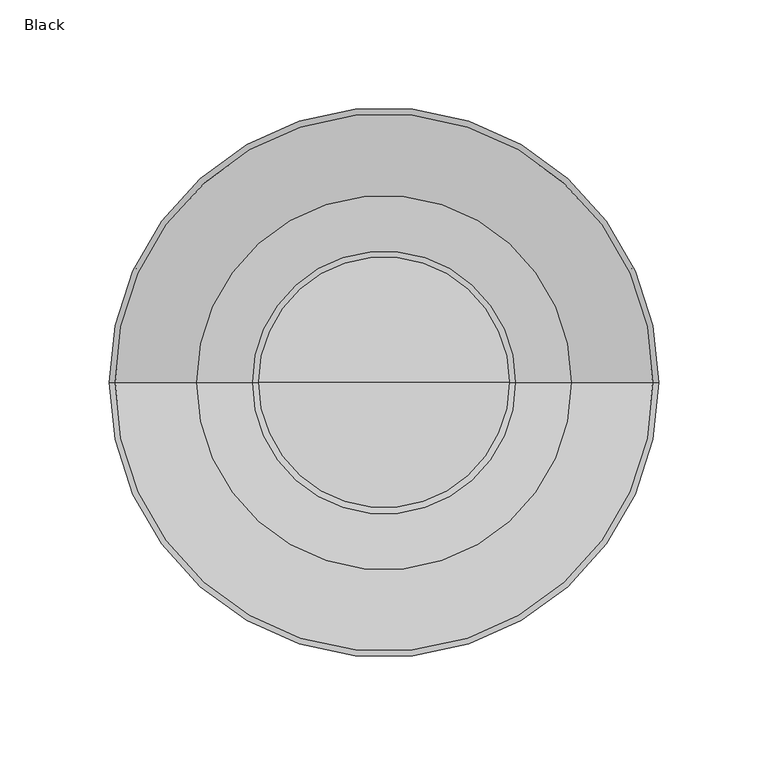
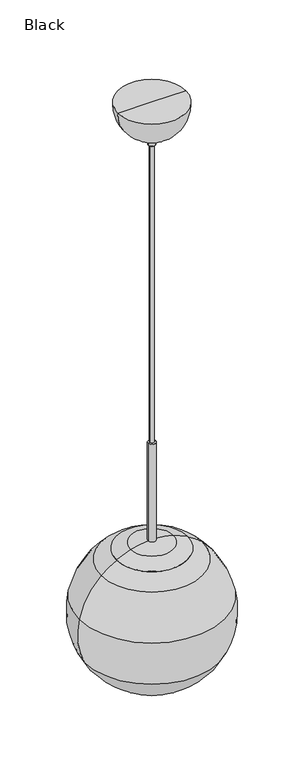
"""IFC4 building model written with IfcOpenShell, lengths in millimetres: furniture geometry, Black."""

from ifc_helpers import new_model, si_unit, point, frame, origin, place, context, project, spatial, polyline, circle_curve, ellipse_curve, trimmed, source, transform, mapped, element, save
from ifc_brep_helpers import plane_surface, cylinder_surface, revolved_surface, advanced_brep


def black_53b5c89a(model_context):
    return source(origin(), model_context, "Body", "AdvancedBrep", [
        advanced_brep(
        [(6.5, 0.0, 1676.4), (-6.5, 0.0, 1676.4), (0.0, 0.0, 1676.4), (6.5, 0.0, 1501.3458771), (-6.5, 0.0, 1501.3458771), (35.8323867, 0.0, 1496.3359968), (-35.8323867, 0.0, 1496.3359968), (60.25, 0.0, 1485.9713348), (-60.25, 0.0, 1485.9713348), (59.7818527, 0.0, 1485.0876831), (-59.7818527, 0.0, 1485.0876831), (85.7983932, 0.0, 1467.0335754), (-85.7983932, 0.0, 1467.0335754), (123.2234955, 0.0, 1401.8036255), (-123.2234955, 0.0, 1401.8036255), (114.4541931, 0.0, 1321.767691), (-114.4541931, 0.0, 1321.767691), (75.2418823, 0.0, 1274.3469604), (-75.2418823, 0.0, 1274.3469604), (73.4864235, 0.0, 1274.3469604), (-73.4864235, 0.0, 1274.3469604), (113.532471, 0.0, 1322.1951069), (-113.532471, 0.0, 1322.1951069), (122.2310909, 0.0, 1401.5859349), (-122.2310909, 0.0, 1401.5859349), (85.1096055, 0.0, 1466.2866969), (-85.1096055, 0.0, 1466.2866969), (57.4904534, 0.0, 1485.0876831), (-57.4904534, 0.0, 1485.0876831), (50.9951096, 0.0, 1474.0021271), (-50.9951096, 0.0, 1474.0021271), (-50.9951096, 0.0, 1485.0876831), (50.9951096, 0.0, 1485.0876831), (15.5002022, 0.0, 1474.0021271), (-15.5002022, 0.0, 1474.0021271), (15.5002022, 0.0, 1421.0999512), (-15.5002022, 0.0, 1421.0999512), (14.4842022, 0.0, 1421.0999512), (-14.4842022, 0.0, 1421.0999512), (14.4842022, 0.0, 1474.0021271), (-14.4842022, 0.0, 1474.0021271), (0.0, 0.0, 1474.0021271)],
        [
            (0, 1, circle_curve(frame((0.0, 0.0, 1676.4), z_axis=(0.0, 0.0, 1.0), x_axis=(-1.0, 0.0, 0.0)), 6.5)),
            (1, 2),
            (2, 0),
            (1, 0, circle_curve(frame((0.0, 0.0, 1676.4), z_axis=(0.0, 0.0, 1.0), x_axis=(-1.0, 0.0, 0.0)), 6.5)),
            (3, 4, circle_curve(frame((0.0, 0.0, 1501.3458771), z_axis=(0.0, 0.0, 1.0), x_axis=(-1.0, 0.0, 0.0)), 6.5)),
            (4, 1),
            (0, 3),
            (4, 3, circle_curve(frame((0.0, 0.0, 1501.3458771), z_axis=(0.0, 0.0, 1.0), x_axis=(-1.0, 0.0, 0.0)), 6.5)),
            (5, 6, circle_curve(frame((0.0, 0.0, 1496.3359968), z_axis=(0.0, 0.0, 1.0), x_axis=(-1.0, 0.0, 0.0)), 35.8323867)),
            (6, 4, circle_curve(frame((-3.5340236, 0.0, 1395.6062108), z_axis=(0.0, 1.0, 0.0), x_axis=(1.0, 0.0, 0.0)), 105.7812556)),
            (3, 5, circle_curve(frame((3.5340236, 0.0, 1395.6062108), z_axis=(0.0, 1.0, 0.0), x_axis=(-1.0, 0.0, 0.0)), 105.7812556)),
            (6, 5, circle_curve(frame((0.0, 0.0, 1496.3359968), z_axis=(0.0, 0.0, 1.0), x_axis=(-1.0, 0.0, 0.0)), 35.8323867)),
            (7, 8, circle_curve(frame((0.0, 0.0, 1485.9713348), z_axis=(0.0, 0.0, 1.0), x_axis=(-1.0, 0.0, 0.0)), 60.25)),
            (8, 6, circle_curve(frame((8.6630824, 0.0, 1357.5667636), z_axis=(0.0, 1.0, 0.0), x_axis=(1.0, 0.0, 0.0)), 145.7283323)),
            (5, 7, circle_curve(frame((-8.6630824, 0.0, 1357.5667636), z_axis=(0.0, 1.0, 0.0), x_axis=(-1.0, 0.0, 0.0)), 145.7283323)),
            (8, 7, circle_curve(frame((0.0, 0.0, 1485.9713348), z_axis=(0.0, 0.0, 1.0), x_axis=(-1.0, 0.0, 0.0)), 60.25)),
            (9, 10, circle_curve(frame((0.0, 0.0, 1485.0876831), z_axis=(0.0, 0.0, 1.0), x_axis=(-1.0, 0.0, 0.0)), 59.7818527)),
            (10, 8),
            (7, 9),
            (10, 9, circle_curve(frame((0.0, 0.0, 1485.0876831), z_axis=(0.0, 0.0, 1.0), x_axis=(-1.0, 0.0, 0.0)), 59.7818527)),
            (11, 12, circle_curve(frame((0.0, 0.0, 1467.0335754), z_axis=(0.0, 0.0, 1.0), x_axis=(-1.0, 0.0, 0.0)), 85.7983932)),
            (12, 10, circle_curve(frame((-7.9378451, 0.0, 1382.6064443), z_axis=(0.0, 1.0, 0.0), x_axis=(1.0, 0.0, 0.0)), 114.8486196)),
            (9, 11, circle_curve(frame((7.9378451, 0.0, 1382.6064443), z_axis=(0.0, 1.0, 0.0), x_axis=(-1.0, 0.0, 0.0)), 114.8486196)),
            (12, 11, circle_curve(frame((0.0, 0.0, 1467.0335754), z_axis=(0.0, 0.0, 1.0), x_axis=(-1.0, 0.0, 0.0)), 85.7983932)),
            (13, 14, circle_curve(frame((0.0, 0.0, 1401.8036255), z_axis=(0.0, 0.0, 1.0), x_axis=(-1.0, 0.0, 0.0)), 123.2234955)),
            (14, 12, circle_curve(frame((-0.8954985, 0.0, 1374.9701622), z_axis=(0.0, 1.0, 0.0), x_axis=(1.0, 0.0, 0.0)), 125.2364707)),
            (11, 13, circle_curve(frame((0.8954985, 0.0, 1374.9701622), z_axis=(0.0, 1.0, 0.0), x_axis=(-1.0, 0.0, 0.0)), 125.2364707)),
            (14, 13, circle_curve(frame((0.0, 0.0, 1401.8036255), z_axis=(0.0, 0.0, 1.0), x_axis=(-1.0, 0.0, 0.0)), 123.2234955)),
            (15, 16, circle_curve(frame((0.0, 0.0, 1321.767691), z_axis=(0.0, 0.0, 1.0), x_axis=(-1.0, 0.0, 0.0)), 114.4541931)),
            (16, 14, circle_curve(frame((-0.0995761, 0.0, 1374.7955713), z_axis=(0.0, 1.0, 0.0), x_axis=(1.0, 0.0, 0.0)), 126.051317)),
            (13, 15, circle_curve(frame((0.0995761, 0.0, 1374.7955713), z_axis=(0.0, 1.0, 0.0), x_axis=(-1.0, 0.0, 0.0)), 126.051317)),
            (16, 15, circle_curve(frame((0.0, 0.0, 1321.767691), z_axis=(0.0, 0.0, 1.0), x_axis=(-1.0, 0.0, 0.0)), 114.4541931)),
            (17, 18, circle_curve(frame((0.0, 0.0, 1274.3469604), z_axis=(0.0, 0.0, 1.0), x_axis=(-1.0, 0.0, 0.0)), 75.2418823)),
            (18, 16, circle_curve(frame((-4.5310961, 0.0, 1372.7406117), z_axis=(0.0, 1.0, 0.0), x_axis=(1.0, 0.0, 0.0)), 121.1665214)),
            (15, 17, circle_curve(frame((4.5310961, 0.0, 1372.7406117), z_axis=(0.0, 1.0, 0.0), x_axis=(-1.0, 0.0, 0.0)), 121.1665214)),
            (18, 17, circle_curve(frame((0.0, 0.0, 1274.3469604), z_axis=(0.0, 0.0, 1.0), x_axis=(-1.0, 0.0, 0.0)), 75.2418823)),
            (19, 20, circle_curve(frame((0.0, 0.0, 1274.3469604), z_axis=(0.0, 0.0, 1.0), x_axis=(-1.0, 0.0, 0.0)), 73.4864235)),
            (20, 18),
            (17, 19),
            (20, 19, circle_curve(frame((0.0, 0.0, 1274.3469604), z_axis=(0.0, 0.0, 1.0), x_axis=(-1.0, 0.0, 0.0)), 73.4864235)),
            (21, 22, circle_curve(frame((0.0, 0.0, 1322.1951069), z_axis=(0.0, 0.0, 1.0), x_axis=(-1.0, 0.0, 0.0)), 113.532471)),
            (22, 20, circle_curve(frame((-4.5310961, 0.0, 1372.7406117), z_axis=(0.0, -1.0, 0.0), x_axis=(1.0, 0.0, 0.0)), 120.1505214)),
            (19, 21, circle_curve(frame((4.5310961, 0.0, 1372.7406117), z_axis=(0.0, -1.0, 0.0), x_axis=(-1.0, 0.0, 0.0)), 120.1505214)),
            (22, 21, circle_curve(frame((0.0, 0.0, 1322.1951069), z_axis=(0.0, 0.0, 1.0), x_axis=(-1.0, 0.0, 0.0)), 113.532471)),
            (23, 24, circle_curve(frame((0.0, 0.0, 1401.5859349), z_axis=(0.0, 0.0, 1.0), x_axis=(-1.0, 0.0, 0.0)), 122.2310909)),
            (24, 22, circle_curve(frame((-0.0995761, 0.0, 1374.7955713), z_axis=(0.0, -1.0, 0.0), x_axis=(1.0, 0.0, 0.0)), 125.035317)),
            (21, 23, circle_curve(frame((0.0995761, 0.0, 1374.7955713), z_axis=(0.0, -1.0, 0.0), x_axis=(-1.0, 0.0, 0.0)), 125.035317)),
            (24, 23, circle_curve(frame((0.0, 0.0, 1401.5859349), z_axis=(0.0, 0.0, 1.0), x_axis=(-1.0, 0.0, 0.0)), 122.2310909)),
            (25, 26, circle_curve(frame((0.0, 0.0, 1466.2866969), z_axis=(0.0, 0.0, 1.0), x_axis=(-1.0, 0.0, 0.0)), 85.1096055)),
            (26, 24, circle_curve(frame((-0.8954985, 0.0, 1374.9701622), z_axis=(0.0, -1.0, 0.0), x_axis=(1.0, 0.0, 0.0)), 124.2204707)),
            (23, 25, circle_curve(frame((0.8954985, 0.0, 1374.9701622), z_axis=(0.0, -1.0, 0.0), x_axis=(-1.0, 0.0, 0.0)), 124.2204707)),
            (26, 25, circle_curve(frame((0.0, 0.0, 1466.2866969), z_axis=(0.0, 0.0, 1.0), x_axis=(-1.0, 0.0, 0.0)), 85.1096055)),
            (27, 28, circle_curve(frame((0.0, 0.0, 1485.0876831), z_axis=(0.0, 0.0, 1.0), x_axis=(-1.0, 0.0, 0.0)), 57.4904534)),
            (28, 26, circle_curve(frame((-7.9378451, 0.0, 1382.6064443), z_axis=(0.0, -1.0, 0.0), x_axis=(1.0, 0.0, 0.0)), 113.8326196)),
            (25, 27, circle_curve(frame((7.9378451, 0.0, 1382.6064443), z_axis=(0.0, -1.0, 0.0), x_axis=(-1.0, 0.0, 0.0)), 113.8326196)),
            (28, 27, circle_curve(frame((0.0, 0.0, 1485.0876831), z_axis=(0.0, 0.0, 1.0), x_axis=(-1.0, 0.0, 0.0)), 57.4904534)),
            (29, 30, circle_curve(frame((0.0, 0.0, 1474.0021271), z_axis=(0.0, 0.0, 1.0), x_axis=(-1.0, 0.0, 0.0)), 50.9951096)),
            (30, 31),
            (31, 32, circle_curve(frame((0.0, 0.0, 1485.0876831), z_axis=(0.0, 0.0, -1.0), x_axis=(-1.0, 0.0, 0.0)), 50.9951096)),
            (32, 29),
            (30, 29, circle_curve(frame((0.0, 0.0, 1474.0021271), z_axis=(0.0, 0.0, 1.0), x_axis=(-1.0, 0.0, 0.0)), 50.9951096)),
            (32, 31, circle_curve(frame((0.0, 0.0, 1485.0876831), z_axis=(0.0, 0.0, -1.0), x_axis=(-1.0, 0.0, 0.0)), 50.9951096)),
            (33, 34, circle_curve(frame((0.0, 0.0, 1474.0021271), z_axis=(0.0, 0.0, 1.0), x_axis=(-1.0, 0.0, 0.0)), 15.5002022)),
            (34, 30),
            (29, 33),
            (34, 33, circle_curve(frame((0.0, 0.0, 1474.0021271), z_axis=(0.0, 0.0, 1.0), x_axis=(-1.0, 0.0, 0.0)), 15.5002022)),
            (35, 36, circle_curve(frame((0.0, 0.0, 1421.0999512), z_axis=(0.0, 0.0, 1.0), x_axis=(-1.0, 0.0, 0.0)), 15.5002022)),
            (36, 34),
            (33, 35),
            (36, 35, circle_curve(frame((0.0, 0.0, 1421.0999512), z_axis=(0.0, 0.0, 1.0), x_axis=(-1.0, 0.0, 0.0)), 15.5002022)),
            (37, 38, circle_curve(frame((0.0, 0.0, 1421.0999512), z_axis=(0.0, 0.0, 1.0), x_axis=(-1.0, 0.0, 0.0)), 14.4842022)),
            (38, 36),
            (35, 37),
            (38, 37, circle_curve(frame((0.0, 0.0, 1421.0999512), z_axis=(0.0, 0.0, 1.0), x_axis=(-1.0, 0.0, 0.0)), 14.4842022)),
            (39, 40, circle_curve(frame((0.0, 0.0, 1474.0021271), z_axis=(0.0, 0.0, 1.0), x_axis=(-1.0, 0.0, 0.0)), 14.4842022)),
            (40, 38),
            (37, 39),
            (40, 39, circle_curve(frame((0.0, 0.0, 1474.0021271), z_axis=(0.0, 0.0, 1.0), x_axis=(-1.0, 0.0, 0.0)), 14.4842022)),
            (41, 40),
            (39, 41),
            (31, 28),
            (27, 32),
        ],
        [
            plane_surface(frame((0.0, 0.0, 1676.4), z_axis=(0.0, 0.0, 1.0), x_axis=(-1.0, 0.0, 0.0))),
            cylinder_surface(frame((0.0, 0.0, 1045.5765484), z_axis=(0.0, 0.0, -1.0), x_axis=(-1.0, 0.0, 0.0)), 6.5),
            revolved_surface(trimmed(ellipse_curve(frame((-3.5340236, 0.0, 1395.6062108), z_axis=(0.0, -1.0, 0.0), x_axis=(1.0, 0.0, 0.0)), 105.7812556, 105.7812556), [point((-6.5, 0.0, 1501.3458771))], [point((-35.8323867, 0.0, 1496.3359968))], True, "CARTESIAN"), (0.0, 0.0, 1045.5765484), (0.0, 0.0, -1.0)),
            revolved_surface(trimmed(ellipse_curve(frame((8.6630824, 0.0, 1357.5667636), z_axis=(0.0, -1.0, 0.0), x_axis=(1.0, 0.0, 0.0)), 145.7283323, 145.7283323), [point((-35.8323867, 0.0, 1496.3359968))], [point((-60.25, 0.0, 1485.9713348))], True, "CARTESIAN"), (0.0, 0.0, 1045.5765484), (0.0, 0.0, -1.0)),
            revolved_surface(polyline([(-60.25, 0.0, 1485.9713348), (-59.7818527, 0.0, 1485.0876831)]), (0.0, 0.0, 1045.5765484), (0.0, 0.0, -1.0)),
            revolved_surface(trimmed(ellipse_curve(frame((-7.9378451, 0.0, 1382.6064443), z_axis=(0.0, -1.0, 0.0), x_axis=(1.0, 0.0, 0.0)), 114.8486196, 114.8486196), [point((-59.7818527, 0.0, 1485.0876831))], [point((-85.7983932, 0.0, 1467.0335754))], True, "CARTESIAN"), (0.0, 0.0, 1045.5765484), (0.0, 0.0, -1.0)),
            revolved_surface(trimmed(ellipse_curve(frame((-0.8954985, 0.0, 1374.9701622), z_axis=(0.0, -1.0, 0.0), x_axis=(1.0, 0.0, 0.0)), 125.2364707, 125.2364707), [point((-85.7983932, 0.0, 1467.0335754))], [point((-123.2234955, 0.0, 1401.8036255))], True, "CARTESIAN"), (0.0, 0.0, 1045.5765484), (0.0, 0.0, -1.0)),
            revolved_surface(trimmed(ellipse_curve(frame((-0.0995761, 0.0, 1374.7955713), z_axis=(0.0, -1.0, 0.0), x_axis=(1.0, 0.0, 0.0)), 126.051317, 126.051317), [point((-123.2234955, 0.0, 1401.8036255))], [point((-114.4541931, 0.0, 1321.767691))], True, "CARTESIAN"), (0.0, 0.0, 1045.5765484), (0.0, 0.0, -1.0)),
            revolved_surface(trimmed(ellipse_curve(frame((-4.5310961, 0.0, 1372.7406117), z_axis=(0.0, -1.0, 0.0), x_axis=(1.0, 0.0, 0.0)), 121.1665214, 121.1665214), [point((-114.4541931, 0.0, 1321.767691))], [point((-75.2418823, 0.0, 1274.3469604))], True, "CARTESIAN"), (0.0, 0.0, 1045.5765484), (0.0, 0.0, -1.0)),
            plane_surface(frame((0.0, 0.0, 1274.3469604), z_axis=(0.0, 0.0, -1.0), x_axis=(-1.0, 0.0, 0.0))),
            revolved_surface(trimmed(ellipse_curve(frame((-4.5310961, 0.0, 1372.7406117), z_axis=(0.0, 1.0, 0.0), x_axis=(1.0, 0.0, 0.0)), 120.1505214, 120.1505214), [point((-73.4864235, 0.0, 1274.3469604))], [point((-113.532471, 0.0, 1322.1951069))], True, "CARTESIAN"), (0.0, 0.0, 1045.5765484), (0.0, 0.0, -1.0)),
            revolved_surface(trimmed(ellipse_curve(frame((-0.0995761, 0.0, 1374.7955713), z_axis=(0.0, 1.0, 0.0), x_axis=(1.0, 0.0, 0.0)), 125.035317, 125.035317), [point((-113.532471, 0.0, 1322.1951069))], [point((-122.2310909, 0.0, 1401.5859349))], True, "CARTESIAN"), (0.0, 0.0, 1045.5765484), (0.0, 0.0, -1.0)),
            revolved_surface(trimmed(ellipse_curve(frame((-0.8954985, 0.0, 1374.9701622), z_axis=(0.0, 1.0, 0.0), x_axis=(1.0, 0.0, 0.0)), 124.2204707, 124.2204707), [point((-122.2310909, 0.0, 1401.5859349))], [point((-85.1096055, 0.0, 1466.2866969))], True, "CARTESIAN"), (0.0, 0.0, 1045.5765484), (0.0, 0.0, -1.0)),
            revolved_surface(trimmed(ellipse_curve(frame((-7.9378451, 0.0, 1382.6064443), z_axis=(0.0, 1.0, 0.0), x_axis=(1.0, 0.0, 0.0)), 113.8326196, 113.8326196), [point((-85.1096055, 0.0, 1466.2866969))], [point((-57.4904534, 0.0, 1485.0876831))], True, "CARTESIAN"), (0.0, 0.0, 1045.5765484), (0.0, 0.0, -1.0)),
            cylinder_surface(frame((0.0, 0.0, 1045.5765484), z_axis=(0.0, 0.0, -1.0), x_axis=(-1.0, 0.0, 0.0)), 50.9951096),
            plane_surface(frame((0.0, 0.0, 1474.0021271), z_axis=(0.0, 0.0, -1.0), x_axis=(-1.0, 0.0, 0.0))),
            cylinder_surface(frame((0.0, 0.0, 1045.5765484), z_axis=(0.0, 0.0, -1.0), x_axis=(-1.0, 0.0, 0.0)), 15.5002022),
            plane_surface(frame((0.0, 0.0, 1421.0999512), z_axis=(0.0, 0.0, -1.0), x_axis=(-1.0, 0.0, 0.0))),
            revolved_surface(polyline([(-14.4842022, 0.0, 1421.0999512), (-14.4842022, 0.0, 1474.0021271)]), (0.0, 0.0, 1045.5765484), (0.0, 0.0, -1.0)),
            plane_surface(frame((0.0, 0.0, 1485.0876831), z_axis=(0.0, 0.0, -1.0), x_axis=(-1.0, 0.0, 0.0))),
        ],
        [
            (0, [[1, 2, 3]]),
            (0, [[4, -3, -2]]),
            (1, [[5, 6, -1, 7]]),
            (1, [[8, -7, -4, -6]]),
            (2, [[9, 10, -5, 11]]),
            (2, [[12, -11, -8, -10]]),
            (3, [[13, 14, -9, 15]]),
            (3, [[16, -15, -12, -14]]),
            (4, [[17, 18, -13, 19]]),
            (4, [[20, -19, -16, -18]]),
            (5, [[21, 22, -17, 23]]),
            (5, [[24, -23, -20, -22]]),
            (6, [[25, 26, -21, 27]]),
            (6, [[28, -27, -24, -26]]),
            (7, [[29, 30, -25, 31]]),
            (7, [[32, -31, -28, -30]]),
            (8, [[33, 34, -29, 35]]),
            (8, [[36, -35, -32, -34]]),
            (9, [[37, 38, -33, 39]]),
            (9, [[40, -39, -36, -38]]),
            (10, [[41, 42, -37, 43]]),
            (10, [[44, -43, -40, -42]]),
            (11, [[45, 46, -41, 47]]),
            (11, [[48, -47, -44, -46]]),
            (12, [[49, 50, -45, 51]]),
            (12, [[52, -51, -48, -50]]),
            (13, [[53, 54, -49, 55]]),
            (13, [[56, -55, -52, -54]]),
            (14, [[57, 58, 59, 60]]),
            (14, [[61, -60, 62, -58]]),
            (15, [[63, 64, -57, 65]]),
            (15, [[66, -65, -61, -64]]),
            (16, [[67, 68, -63, 69]]),
            (16, [[70, -69, -66, -68]]),
            (17, [[71, 72, -67, 73]]),
            (17, [[74, -73, -70, -72]]),
            (18, [[75, 76, -71, 77]]),
            (18, [[78, -77, -74, -76]]),
            (15, [[79, -75, 80]]),
            (15, [[-80, -78, -79]]),
            (19, [[-59, 81, -53, 82]]),
            (19, [[-62, -82, -56, -81]]),
        ],
    ),
        advanced_brep(
        [(3.556, 0.0, 2209.8), (-3.556, 0.0, 2209.8), (0.0, 0.0, 2209.8), (3.556, 0.0, 1676.4), (-3.556, 0.0, 1676.4), (0.0, 0.0, 1676.4)],
        [
            (0, 1, circle_curve(frame((0.0, 0.0, 2209.8), z_axis=(0.0, 0.0, 1.0), x_axis=(-1.0, 0.0, 0.0)), 3.556)),
            (1, 2),
            (2, 0),
            (1, 0, circle_curve(frame((0.0, 0.0, 2209.8), z_axis=(0.0, 0.0, 1.0), x_axis=(-1.0, 0.0, 0.0)), 3.556)),
            (3, 4, circle_curve(frame((0.0, 0.0, 1676.4), z_axis=(0.0, 0.0, 1.0), x_axis=(-1.0, 0.0, 0.0)), 3.556)),
            (4, 1),
            (0, 3),
            (4, 3, circle_curve(frame((0.0, 0.0, 1676.4), z_axis=(0.0, 0.0, 1.0), x_axis=(-1.0, 0.0, 0.0)), 3.556)),
            (5, 4),
            (3, 5),
        ],
        [
            plane_surface(frame((0.0, 0.0, 2209.8), z_axis=(0.0, 0.0, 1.0), x_axis=(-1.0, 0.0, 0.0))),
            cylinder_surface(frame((0.0, 0.0, 2421.4288111), z_axis=(0.0, 0.0, -1.0), x_axis=(-1.0, 0.0, 0.0)), 3.556),
            plane_surface(frame((0.0, 0.0, 1676.4), z_axis=(0.0, 0.0, -1.0), x_axis=(-1.0, 0.0, 0.0))),
        ],
        [
            (0, [[1, 2, 3]]),
            (0, [[4, -3, -2]]),
            (1, [[5, 6, -1, 7]]),
            (1, [[8, -7, -4, -6]]),
            (2, [[9, -5, 10]]),
            (2, [[-10, -8, -9]]),
        ],
    ),
        advanced_brep(
        [(57.4224398, 0.0, 2286.0), (-57.4224398, 0.0, 2286.0), (0.0, 0.0, 2286.0), (11.2391644, 0.0, 2226.2351074), (-11.2391644, 0.0, 2226.2351074), (7.2539285, 0.0, 2226.2351074), (-7.2539285, 0.0, 2226.2351074), (6.4923271, 0.0, 2225.4977527), (-6.4923271, 0.0, 2225.4977527), (6.0082113, 0.0, 2210.5373547), (-6.0082113, 0.0, 2210.5373547), (5.2466099, 0.0, 2209.8), (-5.2466099, 0.0, 2209.8), (0.0, 0.0, 2209.8)],
        [
            (0, 1, circle_curve(frame((0.0, 0.0, 2286.0), z_axis=(0.0, 0.0, 1.0), x_axis=(-1.0, 0.0, 0.0)), 57.4224398)),
            (1, 2),
            (2, 0),
            (1, 0, circle_curve(frame((0.0, 0.0, 2286.0), z_axis=(0.0, 0.0, 1.0), x_axis=(-1.0, 0.0, 0.0)), 57.4224398)),
            (3, 4, circle_curve(frame((0.0, 0.0, 2226.2351074), z_axis=(0.0, 0.0, 1.0), x_axis=(-1.0, 0.0, 0.0)), 11.2391644)),
            (4, 1, circle_curve(frame((-0.0218276, 0.0, 2282.6297877), z_axis=(0.0, 1.0, 0.0), x_axis=(1.0, 0.0, 0.0)), 57.4994662)),
            (0, 3, circle_curve(frame((0.0218276, 0.0, 2282.6297877), z_axis=(0.0, 1.0, 0.0), x_axis=(-1.0, 0.0, 0.0)), 57.4994662)),
            (4, 3, circle_curve(frame((0.0, 0.0, 2226.2351074), z_axis=(0.0, 0.0, 1.0), x_axis=(-1.0, 0.0, 0.0)), 11.2391644)),
            (5, 6, circle_curve(frame((0.0, 0.0, 2226.2351074), z_axis=(0.0, 0.0, 1.0), x_axis=(-1.0, 0.0, 0.0)), 7.2539285)),
            (6, 4),
            (3, 5),
            (6, 5, circle_curve(frame((0.0, 0.0, 2226.2351074), z_axis=(0.0, 0.0, 1.0), x_axis=(-1.0, 0.0, 0.0)), 7.2539285)),
            (7, 8, circle_curve(frame((0.0, 0.0, 2225.4977527), z_axis=(0.0, 0.0, 1.0), x_axis=(-1.0, 0.0, 0.0)), 6.4923271)),
            (8, 6, circle_curve(frame((-7.2539285, 0.0, 2225.4731074), z_axis=(0.0, -1.0, 0.0), x_axis=(1.0, 0.0, 0.0)), 0.762)),
            (5, 7, circle_curve(frame((7.2539285, 0.0, 2225.4731074), z_axis=(0.0, -1.0, 0.0), x_axis=(-1.0, 0.0, 0.0)), 0.762)),
            (8, 7, circle_curve(frame((0.0, 0.0, 2225.4977527), z_axis=(0.0, 0.0, 1.0), x_axis=(-1.0, 0.0, 0.0)), 6.4923271)),
            (9, 10, circle_curve(frame((0.0, 0.0, 2210.5373547), z_axis=(0.0, 0.0, 1.0), x_axis=(-1.0, 0.0, 0.0)), 6.0082113)),
            (10, 8),
            (7, 9),
            (10, 9, circle_curve(frame((0.0, 0.0, 2210.5373547), z_axis=(0.0, 0.0, 1.0), x_axis=(-1.0, 0.0, 0.0)), 6.0082113)),
            (11, 12, circle_curve(frame((0.0, 0.0, 2209.8), z_axis=(0.0, 0.0, 1.0), x_axis=(-1.0, 0.0, 0.0)), 5.2466099)),
            (12, 10, circle_curve(frame((-5.2466099, 0.0, 2210.562), z_axis=(0.0, 1.0, 0.0), x_axis=(1.0, 0.0, 0.0)), 0.762)),
            (9, 11, circle_curve(frame((5.2466099, 0.0, 2210.562), z_axis=(0.0, 1.0, 0.0), x_axis=(-1.0, 0.0, 0.0)), 0.762)),
            (12, 11, circle_curve(frame((0.0, 0.0, 2209.8), z_axis=(0.0, 0.0, 1.0), x_axis=(-1.0, 0.0, 0.0)), 5.2466099)),
            (13, 12),
            (11, 13),
        ],
        [
            plane_surface(frame((0.0, 0.0, 2286.0), z_axis=(0.0, 0.0, 1.0), x_axis=(-1.0, 0.0, 0.0))),
            revolved_surface(trimmed(ellipse_curve(frame((-0.0218276, 0.0, 2282.6297877), z_axis=(0.0, -1.0, 0.0), x_axis=(1.0, 0.0, 0.0)), 57.4994662, 57.4994662), [point((-57.4224398, 0.0, 2286.0))], [point((-11.2391644, 0.0, 2226.2351074))], True, "CARTESIAN"), (0.0, 0.0, 2311.4), (0.0, 0.0, -1.0)),
            plane_surface(frame((0.0, 0.0, 2226.2351074), z_axis=(0.0, 0.0, -1.0), x_axis=(-1.0, 0.0, 0.0))),
            revolved_surface(trimmed(ellipse_curve(frame((-7.2539285, 0.0, 2225.4731074), z_axis=(0.0, 1.0, 0.0), x_axis=(1.0, 0.0, 0.0)), 0.762, 0.762), [point((-7.2539285, 0.0, 2226.2351074))], [point((-6.4923271, 0.0, 2225.4977527))], True, "CARTESIAN"), (0.0, 0.0, 2311.4), (0.0, 0.0, -1.0)),
            revolved_surface(polyline([(-6.4923271, 0.0, 2225.4977527), (-6.0082113, 0.0, 2210.5373547)]), (0.0, 0.0, 2311.4), (0.0, 0.0, -1.0)),
            revolved_surface(trimmed(ellipse_curve(frame((-5.2466099, 0.0, 2210.562), z_axis=(0.0, -1.0, 0.0), x_axis=(1.0, 0.0, 0.0)), 0.762, 0.762), [point((-6.0082113, 0.0, 2210.5373547))], [point((-5.2466099, 0.0, 2209.8))], True, "CARTESIAN"), (0.0, 0.0, 2311.4), (0.0, 0.0, -1.0)),
            plane_surface(frame((0.0, 0.0, 2209.8), z_axis=(0.0, 0.0, -1.0), x_axis=(-1.0, 0.0, 0.0))),
        ],
        [
            (0, [[1, 2, 3]]),
            (0, [[4, -3, -2]]),
            (1, [[5, 6, -1, 7]]),
            (1, [[8, -7, -4, -6]]),
            (2, [[9, 10, -5, 11]]),
            (2, [[12, -11, -8, -10]]),
            (3, [[13, 14, -9, 15]]),
            (3, [[16, -15, -12, -14]]),
            (4, [[17, 18, -13, 19]]),
            (4, [[20, -19, -16, -18]]),
            (5, [[21, 22, -17, 23]]),
            (5, [[24, -23, -20, -22]]),
            (6, [[25, -21, 26]]),
            (6, [[-26, -24, -25]]),
        ],
    ),
    ])


if __name__ == "__main__":
    model = new_model("IFC4")
    model_context = context("Model", 3, world=origin())
    ifc_project = project(units=[si_unit("LENGTHUNIT", "METRE", prefix="MILLI")], contexts=[model_context])
    site = spatial("IfcSite", under=ifc_project)
    building = spatial("IfcBuilding", under=site)
    placement = place(None, origin())
    black_shape = black_53b5c89a(model_context)
    element("IfcFurniture", 1, ObjectType="Black", at=placement, inside=building, context=model_context, shape_type="MappedRepresentation", body=[
        mapped(black_shape, transform((0.0, 0.0, 0.0), x_axis=(1.0, 0.0, 0.0), y_axis=(0.0, 1.0, 0.0), z_axis=(0.0, 0.0, 1.0))),
    ])
    save(model, "model.ifc")
